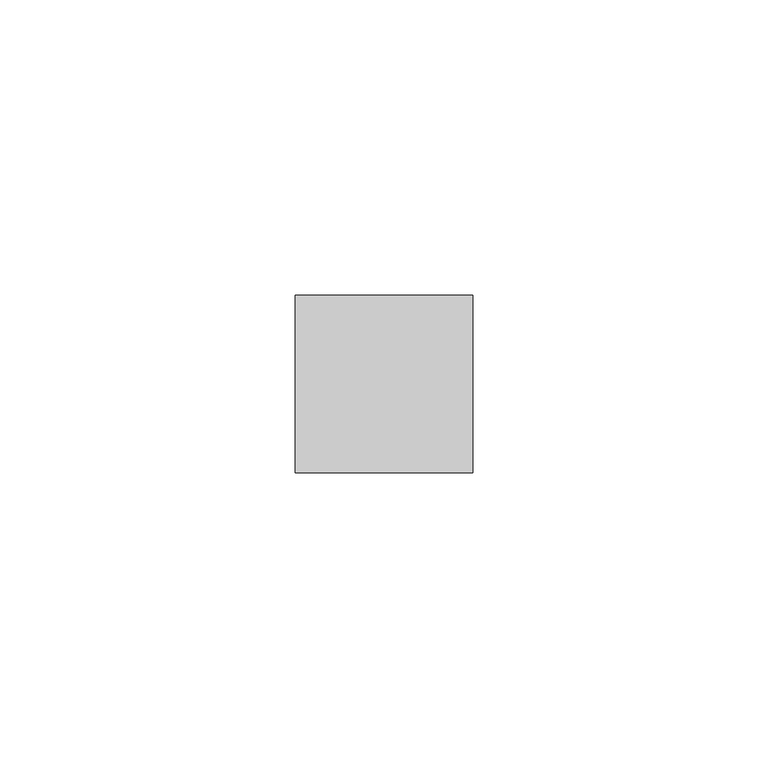
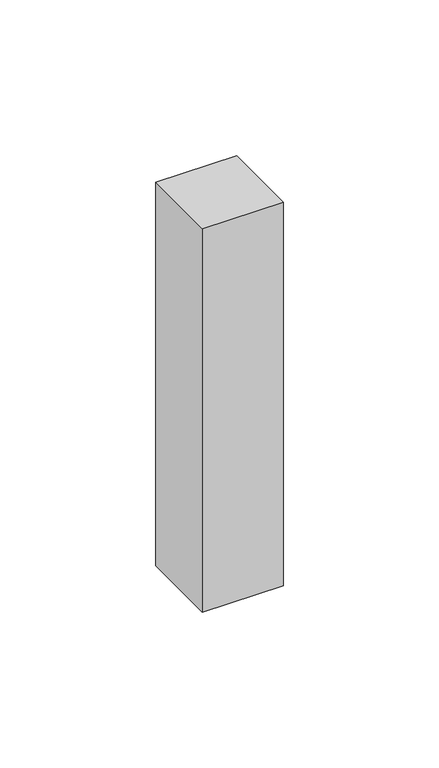
"""IFC4 building model written with IfcOpenShell, lengths in millimetres: member geometry."""

from ifc_helpers import new_model, si_unit, frame, origin, place, context, project, spatial, polyline, outline, extrude, source, transform, mapped, element, save


def member_cde2b1fc(model_context):
    return source(origin(), model_context, "Body", "SweptSolid", [
        extrude(outline(polyline([(15.0, 15.0), (15.0, -15.0), (-15.0, -15.0), (-15.0, 15.0), (15.0, 15.0)])), frame((0.0, 0.0, -150.4309556), z_axis=(0.0, 0.0, 1.0), x_axis=(1.0, 0.0, 0.0)), (0.0, 0.0, 1.0), 150.4309556),
    ])


if __name__ == "__main__":
    model = new_model("IFC4")
    model_context = context("Model", 3, world=origin())
    ifc_project = project(units=[si_unit("LENGTHUNIT", "METRE", prefix="MILLI")], contexts=[model_context])
    site = spatial("IfcSite", under=ifc_project)
    building = spatial("IfcBuilding", under=site)
    placement = place(None, origin())
    member_shape = member_cde2b1fc(model_context)
    element("IfcMember", 1, at=placement, inside=building, context=model_context, shape_type="MappedRepresentation", body=[
        mapped(member_shape, transform((0.0, 0.0, 0.0), x_axis=(1.0, 0.0, 0.0), y_axis=(0.0, 1.0, 0.0), z_axis=(0.0, 0.0, 1.0))),
    ])
    save(model, "model.ifc")
